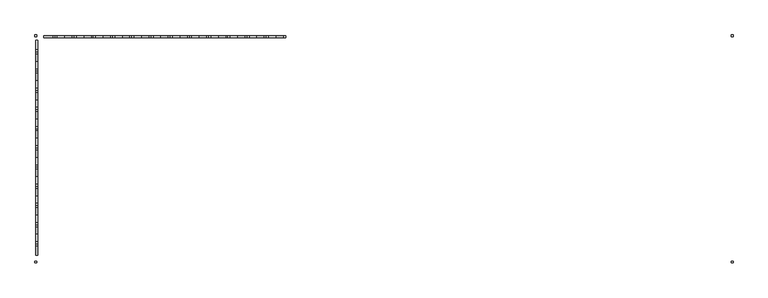
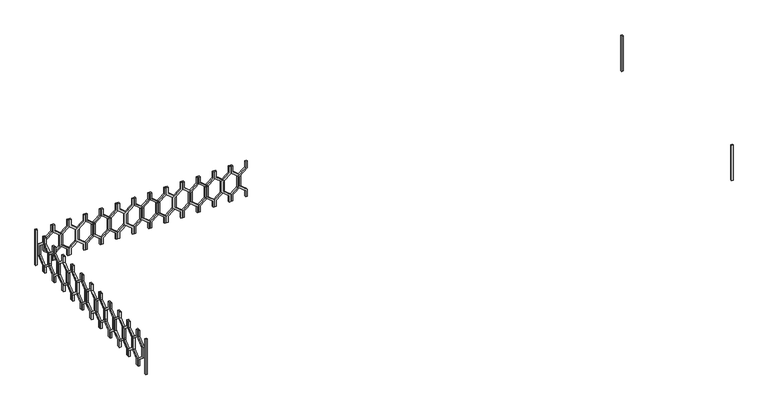
"""IFC4 building model written with IfcOpenShell, lengths in millimetres: railing geometry."""

import ifcopenshell
import ifcopenshell.guid

model = None  # the IFC model being written
_history = None  # IfcOwnerHistory: only IFC2X3 demands one
_inside = {}  # id of a spatial element -> (the spatial element, [elements in it])
_under = {}  # id of a project, library or spatial element -> (it, [spatial elements below it])
_declared = {}  # id of a project -> (the project, [libraries it declares])
_typed = {}  # id of a type object -> (the type object, [elements of that type])
_made_of = {}  # id of a material, layer set ... -> (it, [elements and type objects made of it])


def new_model(schema):
    """Start an empty IFC model of exactly this schema.

    Asked for "IFC4X3", IfcOpenShell would pick the latest addendum, in which some entities
    have other attributes; the version numbers below select the first issue.
    IFC2X3 requires an IfcOwnerHistory on every rooted entity: one is made here for all.
    """
    global model, _history
    if schema == "IFC4X3":
        model = ifcopenshell.file(schema_version=(4, 3, 0, 0))
    else:
        model = ifcopenshell.file(schema=schema)
    _inside.clear()
    _under.clear()
    _declared.clear()
    _typed.clear()
    _made_of.clear()
    _history = None
    if model.schema == "IFC2X3":
        org = make("IfcOrganization", Name="unknown")
        user = make(
            "IfcPersonAndOrganization",
            ThePerson=make("IfcPerson", FamilyName="unknown"),
            TheOrganization=org,
        )
        app = make(
            "IfcApplication",
            ApplicationDeveloper=org,
            Version="unknown",
            ApplicationFullName="unknown",
            ApplicationIdentifier="unknown",
        )
        _history = make(
            "IfcOwnerHistory",
            OwningUser=user,
            OwningApplication=app,
            ChangeAction="ADDED",
            CreationDate=0,
        )
    return model


def make(cls, **values):
    """One entity of the class cls with the attributes given. An attribute that is None is left unset."""
    return model.create_entity(
        cls, **{name: value for name, value in values.items() if value is not None}
    )


def rooted(cls, **values):
    """An entity with a GlobalId (a new one), such as an element, a storey or a relation."""
    return make(cls, GlobalId=ifcopenshell.guid.new(), OwnerHistory=_history, **values)


def si_unit(unit_type, name, prefix=None):
    """IfcSIUnit, for example si_unit("LENGTHUNIT", "METRE", prefix="MILLI")."""
    return make("IfcSIUnit", UnitType=unit_type, Prefix=prefix, Name=name)


def assignment(units):
    """IfcUnitAssignment: the units of a project."""
    return None if units is None else make("IfcUnitAssignment", Units=units)


def point(xyz):
    """IfcCartesianPoint."""
    return None if xyz is None else make("IfcCartesianPoint", Coordinates=xyz)


def direction(xyz):
    """IfcDirection."""
    return None if xyz is None else make("IfcDirection", DirectionRatios=xyz)


def frame(location, z_axis=None, x_axis=None):
    """IfcAxis2Placement3D, a coordinate frame: its origin and axes. An axis left out is left unset."""
    return make(
        "IfcAxis2Placement3D",
        Location=point(location),
        Axis=direction(z_axis),
        RefDirection=direction(x_axis),
    )


def origin():
    """The frame at (0, 0, 0) with its axes left unset."""
    return frame((0.0, 0.0, 0.0))


def place(relative_to, where):
    """IfcLocalPlacement: puts the frame where relative to a parent placement (None: the world)."""
    return make(
        "IfcLocalPlacement", PlacementRelTo=relative_to, RelativePlacement=where
    )


def context(
    kind, dimensions, precision=None, world=None, true_north=None, identifier=None
):
    """IfcGeometricRepresentationContext, for example the 3D "Model" context."""
    return make(
        "IfcGeometricRepresentationContext",
        ContextIdentifier=identifier,
        ContextType=kind,
        CoordinateSpaceDimension=dimensions,
        Precision=precision,
        WorldCoordinateSystem=world,
        TrueNorth=true_north,
    )


def project(units=None, contexts=None):
    """IfcProject with its units and contexts."""
    return rooted(
        "IfcProject",
        Name="project",
        RepresentationContexts=contexts,
        UnitsInContext=assignment(units),
    )


def spatial(cls, under=None, at=None, **own):
    """A site, building, storey or space (cls), placed at a placement, below another one or the project."""
    s = rooted(cls, ObjectPlacement=at, **own)
    if under is not None:
        _under.setdefault(under.id(), (under, []))[1].append(s)
    return s


def polyline(points):
    """IfcPolyline through the points."""
    return make("IfcPolyline", Points=[point(p) for p in points])


def outline(outer, holes=None, kind="AREA"):
    """IfcArbitraryClosedProfileDef: a profile drawn as a closed curve; with holes, ...WithVoids."""
    if holes is None:
        return make("IfcArbitraryClosedProfileDef", ProfileType=kind, OuterCurve=outer)
    return make(
        "IfcArbitraryProfileDefWithVoids",
        ProfileType=kind,
        OuterCurve=outer,
        InnerCurves=holes,
    )


def extrude(swept, where, along, depth):
    """IfcExtrudedAreaSolid: the profile swept, set in the frame where, extruded along a direction by depth."""
    return make(
        "IfcExtrudedAreaSolid",
        SweptArea=swept,
        Position=where,
        ExtrudedDirection=direction(along),
        Depth=depth,
    )


def shape(context_of_items, identifier, shape_type, items):
    """IfcShapeRepresentation: the items that make up one representation, for example the "Body"."""
    return make(
        "IfcShapeRepresentation",
        ContextOfItems=context_of_items,
        RepresentationIdentifier=identifier,
        RepresentationType=shape_type,
        Items=items,
    )


def source(mapping_origin, context_of_items, identifier, shape_type, items):
    """IfcRepresentationMap: a shape defined once, which mapped items show again and again."""
    return make(
        "IfcRepresentationMap",
        MappingOrigin=mapping_origin,
        MappedRepresentation=shape(context_of_items, identifier, shape_type, items),
    )


def transform(
    local_origin,
    x_axis=None,
    y_axis=None,
    z_axis=None,
    scale=None,
    scale2=None,
    scale3=None,
    uniform=True,
):
    """IfcCartesianTransformationOperator3D, or its non-uniform kind. x_axis, y_axis, z_axis: its Axis1, 2, 3."""
    if uniform:
        return make(
            "IfcCartesianTransformationOperator3D",
            Axis1=direction(x_axis),
            Axis2=direction(y_axis),
            LocalOrigin=point(local_origin),
            Scale=scale,
            Axis3=direction(z_axis),
        )
    return make(
        "IfcCartesianTransformationOperator3DnonUniform",
        Axis1=direction(x_axis),
        Axis2=direction(y_axis),
        LocalOrigin=point(local_origin),
        Scale=scale,
        Axis3=direction(z_axis),
        Scale2=scale2,
        Scale3=scale3,
    )


def mapped(mapping_source, mapping_target):
    """IfcMappedItem: shows the shape of a source again, moved by a transform."""
    return make(
        "IfcMappedItem", MappingSource=mapping_source, MappingTarget=mapping_target
    )


def made_of(thing, what):
    """Note that an element or type object is made of a material, layer set ...; save() writes the relation."""
    if what is not None:
        _made_of.setdefault(what.id(), (what, []))[1].append(thing)
    return thing


def element(
    cls,
    number,
    at=None,
    inside=None,
    cuts=None,
    type_object=None,
    material=None,
    context=None,
    identifier="Body",
    shape_type=None,
    held_by="IfcProductDefinitionShape",
    body=None,
    shapes=None,
    **own,
):
    """One element of the class cls, such as IfcWall. Its Tag is "e" and its number.

    at: its placement. inside: the storey or other place that contains it. cuts: it is an
    opening in that element (IfcRelVoidsElement). A single representation is given by context,
    identifier, shape_type and body (its items); several are given by shapes. held_by: the class
    of the entity that holds the representations. save() writes the other relations.
    """
    e = rooted(cls, Tag="e%d" % number, ObjectPlacement=at, **own)
    if body is not None:
        shapes = [shape(context, identifier, shape_type, body)]
    if shapes is not None:
        e.Representation = make(held_by, Representations=shapes)
    if inside is not None:
        _inside.setdefault(inside.id(), (inside, []))[1].append(e)
    if cuts is not None:
        rooted(
            "IfcRelVoidsElement", RelatingBuildingElement=cuts, RelatedOpeningElement=e
        )
    if type_object is not None:
        _typed.setdefault(type_object.id(), (type_object, []))[1].append(e)
    return made_of(e, material)


def aggregate(whole, parts):
    """IfcRelAggregates: a whole, such as a stair, and the parts it consists of."""
    return rooted("IfcRelAggregates", RelatingObject=whole, RelatedObjects=parts)


def save(model, path):
    """Write the relations noted so far, then the file.

    IfcRelAggregates (storeys below a building ...), IfcRelContainedInSpatialStructure (elements
    in a storey), IfcRelDefinesByType, IfcRelAssociatesMaterial and IfcRelDeclares: one each for
    every whole, place, type object, material and project.
    """
    for whole, parts in _under.values():
        aggregate(whole, parts)
    for where, things in _inside.values():
        rooted(
            "IfcRelContainedInSpatialStructure",
            RelatedElements=things,
            RelatingStructure=where,
        )
    for kind, things in _typed.values():
        rooted("IfcRelDefinesByType", RelatedObjects=things, RelatingType=kind)
    for what, things in _made_of.values():
        rooted("IfcRelAssociatesMaterial", RelatedObjects=things, RelatingMaterial=what)
    for by, libraries in _declared.values():
        rooted("IfcRelDeclares", RelatingContext=by, RelatedDefinitions=libraries)
    model.write(path)


def railing_958f3b37(model_context):
    return source(origin(), model_context, "Body", "SweptSolid", [
        extrude(outline(polyline([(18760.0, 44935.0112841), (18760.0, 44915.0112841), (18680.0, 44915.0112841), (18600.0, 44816.0163347), (18460.0, 44816.0163347), (18380.0, 44915.0112841), (18300.0, 44915.0112841), (18300.0, 44935.0112841), (18389.551845, 44935.0112841), (18469.551845, 44836.0163347), (18590.448155, 44836.0163347), (18670.448155, 44935.0112841), (18760.0, 44935.0112841)])), frame((0.0, 3248.1079487, 0.0), z_axis=(0.0, 1.0, 0.0), x_axis=(0.0, 0.0, 1.0)), (0.0, 0.0, 1.0), 20.0),
        extrude(outline(polyline([(18760.0, 44735.0112841), (18670.448155, 44735.0112841), (18590.448155, 44834.0062335), (18469.551845, 44834.0062335), (18389.551845, 44735.0112841), (18300.0, 44735.0112841), (18300.0, 44755.0112841), (18380.0, 44755.0112841), (18460.0, 44854.0062335), (18600.0, 44854.0062335), (18680.0, 44755.0112841), (18760.0, 44755.0112841), (18760.0, 44735.0112841)])), frame((0.0, 3248.1079487, 0.0), z_axis=(0.0, 1.0, 0.0), x_axis=(0.0, 0.0, 1.0)), (0.0, 0.0, 1.0), 20.0),
        extrude(outline(polyline([(18760.0, 44735.0112841), (18760.0, 44715.0112841), (18680.0, 44715.0112841), (18600.0, 44616.0163347), (18460.0, 44616.0163347), (18380.0, 44715.0112841), (18300.0, 44715.0112841), (18300.0, 44735.0112841), (18389.551845, 44735.0112841), (18469.551845, 44636.0163347), (18590.448155, 44636.0163347), (18670.448155, 44735.0112841), (18760.0, 44735.0112841)])), frame((0.0, 3248.1079487, 0.0), z_axis=(0.0, 1.0, 0.0), x_axis=(0.0, 0.0, 1.0)), (0.0, 0.0, 1.0), 20.0),
        extrude(outline(polyline([(18760.0, 44535.0112841), (18670.448155, 44535.0112841), (18590.448155, 44634.0062335), (18469.551845, 44634.0062335), (18389.551845, 44535.0112841), (18300.0, 44535.0112841), (18300.0, 44555.0112841), (18380.0, 44555.0112841), (18460.0, 44654.0062335), (18600.0, 44654.0062335), (18680.0, 44555.0112841), (18760.0, 44555.0112841), (18760.0, 44535.0112841)])), frame((0.0, 3248.1079487, 0.0), z_axis=(0.0, 1.0, 0.0), x_axis=(0.0, 0.0, 1.0)), (0.0, 0.0, 1.0), 20.0),
        extrude(outline(polyline([(18760.0, 44535.0112841), (18760.0, 44515.0112841), (18680.0, 44515.0112841), (18600.0, 44416.0163347), (18460.0, 44416.0163347), (18380.0, 44515.0112841), (18300.0, 44515.0112841), (18300.0, 44535.0112841), (18389.551845, 44535.0112841), (18469.551845, 44436.0163347), (18590.448155, 44436.0163347), (18670.448155, 44535.0112841), (18760.0, 44535.0112841)])), frame((0.0, 3248.1079487, 0.0), z_axis=(0.0, 1.0, 0.0), x_axis=(0.0, 0.0, 1.0)), (0.0, 0.0, 1.0), 20.0),
        extrude(outline(polyline([(18760.0, 44335.0112841), (18670.448155, 44335.0112841), (18590.448155, 44434.0062335), (18469.551845, 44434.0062335), (18389.551845, 44335.0112841), (18300.0, 44335.0112841), (18300.0, 44355.0112841), (18380.0, 44355.0112841), (18460.0, 44454.0062335), (18600.0, 44454.0062335), (18680.0, 44355.0112841), (18760.0, 44355.0112841), (18760.0, 44335.0112841)])), frame((0.0, 3248.1079487, 0.0), z_axis=(0.0, 1.0, 0.0), x_axis=(0.0, 0.0, 1.0)), (0.0, 0.0, 1.0), 20.0),
        extrude(outline(polyline([(18760.0, 44335.0112841), (18760.0, 44315.0112841), (18680.0, 44315.0112841), (18600.0, 44216.0163347), (18460.0, 44216.0163347), (18380.0, 44315.0112841), (18300.0, 44315.0112841), (18300.0, 44335.0112841), (18389.551845, 44335.0112841), (18469.551845, 44236.0163347), (18590.448155, 44236.0163347), (18670.448155, 44335.0112841), (18760.0, 44335.0112841)])), frame((0.0, 3248.1079487, 0.0), z_axis=(0.0, 1.0, 0.0), x_axis=(0.0, 0.0, 1.0)), (0.0, 0.0, 1.0), 20.0),
        extrude(outline(polyline([(18760.0, 44135.0112841), (18670.448155, 44135.0112841), (18590.448155, 44234.0062335), (18469.551845, 44234.0062335), (18389.551845, 44135.0112841), (18300.0, 44135.0112841), (18300.0, 44155.0112841), (18380.0, 44155.0112841), (18460.0, 44254.0062335), (18600.0, 44254.0062335), (18680.0, 44155.0112841), (18760.0, 44155.0112841), (18760.0, 44135.0112841)])), frame((0.0, 3248.1079487, 0.0), z_axis=(0.0, 1.0, 0.0), x_axis=(0.0, 0.0, 1.0)), (0.0, 0.0, 1.0), 20.0),
        extrude(outline(polyline([(18760.0, 44135.0112841), (18760.0, 44115.0112841), (18680.0, 44115.0112841), (18600.0, 44016.0163347), (18460.0, 44016.0163347), (18380.0, 44115.0112841), (18300.0, 44115.0112841), (18300.0, 44135.0112841), (18389.551845, 44135.0112841), (18469.551845, 44036.0163347), (18590.448155, 44036.0163347), (18670.448155, 44135.0112841), (18760.0, 44135.0112841)])), frame((0.0, 3248.1079487, 0.0), z_axis=(0.0, 1.0, 0.0), x_axis=(0.0, 0.0, 1.0)), (0.0, 0.0, 1.0), 20.0),
        extrude(outline(polyline([(18760.0, 43935.0112841), (18670.448155, 43935.0112841), (18590.448155, 44034.0062335), (18469.551845, 44034.0062335), (18389.551845, 43935.0112841), (18300.0, 43935.0112841), (18300.0, 43955.0112841), (18380.0, 43955.0112841), (18460.0, 44054.0062335), (18600.0, 44054.0062335), (18680.0, 43955.0112841), (18760.0, 43955.0112841), (18760.0, 43935.0112841)])), frame((0.0, 3248.1079487, 0.0), z_axis=(0.0, 1.0, 0.0), x_axis=(0.0, 0.0, 1.0)), (0.0, 0.0, 1.0), 20.0),
        extrude(outline(polyline([(18760.0, 43935.0112841), (18760.0, 43915.0112841), (18680.0, 43915.0112841), (18600.0, 43816.0163347), (18460.0, 43816.0163347), (18380.0, 43915.0112841), (18300.0, 43915.0112841), (18300.0, 43935.0112841), (18389.551845, 43935.0112841), (18469.551845, 43836.0163347), (18590.448155, 43836.0163347), (18670.448155, 43935.0112841), (18760.0, 43935.0112841)])), frame((0.0, 3248.1079487, 0.0), z_axis=(0.0, 1.0, 0.0), x_axis=(0.0, 0.0, 1.0)), (0.0, 0.0, 1.0), 20.0),
        extrude(outline(polyline([(18760.0, 43735.0112841), (18670.448155, 43735.0112841), (18590.448155, 43834.0062335), (18469.551845, 43834.0062335), (18389.551845, 43735.0112841), (18300.0, 43735.0112841), (18300.0, 43755.0112841), (18380.0, 43755.0112841), (18460.0, 43854.0062335), (18600.0, 43854.0062335), (18680.0, 43755.0112841), (18760.0, 43755.0112841), (18760.0, 43735.0112841)])), frame((0.0, 3248.1079487, 0.0), z_axis=(0.0, 1.0, 0.0), x_axis=(0.0, 0.0, 1.0)), (0.0, 0.0, 1.0), 20.0),
        extrude(outline(polyline([(18760.0, 43735.0112841), (18760.0, 43715.0112841), (18680.0, 43715.0112841), (18600.0, 43616.0163347), (18460.0, 43616.0163347), (18380.0, 43715.0112841), (18300.0, 43715.0112841), (18300.0, 43735.0112841), (18389.551845, 43735.0112841), (18469.551845, 43636.0163347), (18590.448155, 43636.0163347), (18670.448155, 43735.0112841), (18760.0, 43735.0112841)])), frame((0.0, 3248.1079487, 0.0), z_axis=(0.0, 1.0, 0.0), x_axis=(0.0, 0.0, 1.0)), (0.0, 0.0, 1.0), 20.0),
        extrude(outline(polyline([(18760.0, 43535.0112841), (18670.448155, 43535.0112841), (18590.448155, 43634.0062335), (18469.551845, 43634.0062335), (18389.551845, 43535.0112841), (18300.0, 43535.0112841), (18300.0, 43555.0112841), (18380.0, 43555.0112841), (18460.0, 43654.0062335), (18600.0, 43654.0062335), (18680.0, 43555.0112841), (18760.0, 43555.0112841), (18760.0, 43535.0112841)])), frame((0.0, 3248.1079487, 0.0), z_axis=(0.0, 1.0, 0.0), x_axis=(0.0, 0.0, 1.0)), (0.0, 0.0, 1.0), 20.0),
        extrude(outline(polyline([(18760.0, 43535.0112841), (18760.0, 43515.0112841), (18680.0, 43515.0112841), (18600.0, 43416.0163347), (18460.0, 43416.0163347), (18380.0, 43515.0112841), (18300.0, 43515.0112841), (18300.0, 43535.0112841), (18389.551845, 43535.0112841), (18469.551845, 43436.0163347), (18590.448155, 43436.0163347), (18670.448155, 43535.0112841), (18760.0, 43535.0112841)])), frame((0.0, 3248.1079487, 0.0), z_axis=(0.0, 1.0, 0.0), x_axis=(0.0, 0.0, 1.0)), (0.0, 0.0, 1.0), 20.0),
        extrude(outline(polyline([(18760.0, 43335.0112841), (18670.448155, 43335.0112841), (18590.448155, 43434.0062335), (18469.551845, 43434.0062335), (18389.551845, 43335.0112841), (18300.0, 43335.0112841), (18300.0, 43355.0112841), (18380.0, 43355.0112841), (18460.0, 43454.0062335), (18600.0, 43454.0062335), (18680.0, 43355.0112841), (18760.0, 43355.0112841), (18760.0, 43335.0112841)])), frame((0.0, 3248.1079487, 0.0), z_axis=(0.0, 1.0, 0.0), x_axis=(0.0, 0.0, 1.0)), (0.0, 0.0, 1.0), 20.0),
        extrude(outline(polyline([(18760.0, 43335.0112841), (18760.0, 43315.0112841), (18680.0, 43315.0112841), (18600.0, 43216.0163347), (18460.0, 43216.0163347), (18380.0, 43315.0112841), (18300.0, 43315.0112841), (18300.0, 43335.0112841), (18389.551845, 43335.0112841), (18469.551845, 43236.0163347), (18590.448155, 43236.0163347), (18670.448155, 43335.0112841), (18760.0, 43335.0112841)])), frame((0.0, 3248.1079487, 0.0), z_axis=(0.0, 1.0, 0.0), x_axis=(0.0, 0.0, 1.0)), (0.0, 0.0, 1.0), 20.0),
        extrude(outline(polyline([(18760.0, 43135.0112841), (18670.448155, 43135.0112841), (18590.448155, 43234.0062335), (18469.551845, 43234.0062335), (18389.551845, 43135.0112841), (18300.0, 43135.0112841), (18300.0, 43155.0112841), (18380.0, 43155.0112841), (18460.0, 43254.0062335), (18600.0, 43254.0062335), (18680.0, 43155.0112841), (18760.0, 43155.0112841), (18760.0, 43135.0112841)])), frame((0.0, 3248.1079487, 0.0), z_axis=(0.0, 1.0, 0.0), x_axis=(0.0, 0.0, 1.0)), (0.0, 0.0, 1.0), 20.0),
        extrude(outline(polyline([(18760.0, 43135.0112841), (18760.0, 43115.0112841), (18680.0, 43115.0112841), (18600.0, 43016.0163347), (18460.0, 43016.0163347), (18380.0, 43115.0112841), (18300.0, 43115.0112841), (18300.0, 43135.0112841), (18389.551845, 43135.0112841), (18469.551845, 43036.0163347), (18590.448155, 43036.0163347), (18670.448155, 43135.0112841), (18760.0, 43135.0112841)])), frame((0.0, 3248.1079487, 0.0), z_axis=(0.0, 1.0, 0.0), x_axis=(0.0, 0.0, 1.0)), (0.0, 0.0, 1.0), 20.0),
        extrude(outline(polyline([(18760.0, 42935.0112841), (18670.448155, 42935.0112841), (18590.448155, 43034.0062335), (18469.551845, 43034.0062335), (18389.551845, 42935.0112841), (18300.0, 42935.0112841), (18300.0, 42955.0112841), (18380.0, 42955.0112841), (18460.0, 43054.0062335), (18600.0, 43054.0062335), (18680.0, 42955.0112841), (18760.0, 42955.0112841), (18760.0, 42935.0112841)])), frame((0.0, 3248.1079487, 0.0), z_axis=(0.0, 1.0, 0.0), x_axis=(0.0, 0.0, 1.0)), (0.0, 0.0, 1.0), 20.0),
        extrude(outline(polyline([(18760.0, 42935.0112841), (18760.0, 42915.0112841), (18680.0, 42915.0112841), (18600.0, 42816.0163347), (18460.0, 42816.0163347), (18380.0, 42915.0112841), (18300.0, 42915.0112841), (18300.0, 42935.0112841), (18389.551845, 42935.0112841), (18469.551845, 42836.0163347), (18590.448155, 42836.0163347), (18670.448155, 42935.0112841), (18760.0, 42935.0112841)])), frame((0.0, 3248.1079487, 0.0), z_axis=(0.0, 1.0, 0.0), x_axis=(0.0, 0.0, 1.0)), (0.0, 0.0, 1.0), 20.0),
        extrude(outline(polyline([(18760.0, 42735.0112841), (18670.448155, 42735.0112841), (18590.448155, 42834.0062335), (18469.551845, 42834.0062335), (18389.551845, 42735.0112841), (18300.0, 42735.0112841), (18300.0, 42755.0112841), (18380.0, 42755.0112841), (18460.0, 42854.0062335), (18600.0, 42854.0062335), (18680.0, 42755.0112841), (18760.0, 42755.0112841), (18760.0, 42735.0112841)])), frame((0.0, 3248.1079487, 0.0), z_axis=(0.0, 1.0, 0.0), x_axis=(0.0, 0.0, 1.0)), (0.0, 0.0, 1.0), 20.0),
        extrude(outline(polyline([(18760.0, 42735.0112841), (18760.0, 42715.0112841), (18680.0, 42715.0112841), (18600.0, 42616.0163347), (18460.0, 42616.0163347), (18380.0, 42715.0112841), (18300.0, 42715.0112841), (18300.0, 42735.0112841), (18389.551845, 42735.0112841), (18469.551845, 42636.0163347), (18590.448155, 42636.0163347), (18670.448155, 42735.0112841), (18760.0, 42735.0112841)])), frame((0.0, 3248.1079487, 0.0), z_axis=(0.0, 1.0, 0.0), x_axis=(0.0, 0.0, 1.0)), (0.0, 0.0, 1.0), 20.0),
        extrude(outline(polyline([(18760.0, 42535.0112841), (18670.448155, 42535.0112841), (18590.448155, 42634.0062335), (18469.551845, 42634.0062335), (18389.551845, 42535.0112841), (18300.0, 42535.0112841), (18300.0, 42555.0112841), (18380.0, 42555.0112841), (18460.0, 42654.0062335), (18600.0, 42654.0062335), (18680.0, 42555.0112841), (18760.0, 42555.0112841), (18760.0, 42535.0112841)])), frame((0.0, 3248.1079487, 0.0), z_axis=(0.0, 1.0, 0.0), x_axis=(0.0, 0.0, 1.0)), (0.0, 0.0, 1.0), 20.0),
        extrude(outline(polyline([(18760.0, 42535.0112841), (18760.0, 42515.0112841), (18680.0, 42515.0112841), (18600.0, 42416.0163347), (18460.0, 42416.0163347), (18380.0, 42515.0112841), (18300.0, 42515.0112841), (18300.0, 42535.0112841), (18389.551845, 42535.0112841), (18469.551845, 42436.0163347), (18590.448155, 42436.0163347), (18670.448155, 42535.0112841), (18760.0, 42535.0112841)])), frame((0.0, 3248.1079487, 0.0), z_axis=(0.0, 1.0, 0.0), x_axis=(0.0, 0.0, 1.0)), (0.0, 0.0, 1.0), 20.0),
        extrude(outline(polyline([(3103.1079487, 18760.0), (3123.1079487, 18760.0), (3123.1079487, 18680.0), (3222.102898, 18600.0), (3222.102898, 18460.0), (3123.1079487, 18380.0), (3123.1079487, 18300.0), (3103.1079487, 18300.0), (3103.1079487, 18389.551845), (3202.102898, 18469.551845), (3202.102898, 18590.448155), (3103.1079487, 18670.448155), (3103.1079487, 18760.0)])), frame((42335.0112841, 0.0, 0.0), z_axis=(1.0, 0.0, 0.0), x_axis=(0.0, 1.0, 0.0)), (0.0, 0.0, 1.0), 20.0),
        extrude(outline(polyline([(3103.1079487, 18760.0), (3103.1079487, 18670.448155), (3004.1129993, 18590.448155), (3004.1129993, 18469.551845), (3103.1079487, 18389.551845), (3103.1079487, 18300.0), (3083.1079487, 18300.0), (3083.1079487, 18380.0), (2984.1129993, 18460.0), (2984.1129993, 18600.0), (3083.1079487, 18680.0), (3083.1079487, 18760.0), (3103.1079487, 18760.0)])), frame((42335.0112841, 0.0, 0.0), z_axis=(1.0, 0.0, 0.0), x_axis=(0.0, 1.0, 0.0)), (0.0, 0.0, 1.0), 20.0),
        extrude(outline(polyline([(2903.1079487, 18760.0), (2923.1079487, 18760.0), (2923.1079487, 18680.0), (3022.102898, 18600.0), (3022.102898, 18460.0), (2923.1079487, 18380.0), (2923.1079487, 18300.0), (2903.1079487, 18300.0), (2903.1079487, 18389.551845), (3002.102898, 18469.551845), (3002.102898, 18590.448155), (2903.1079487, 18670.448155), (2903.1079487, 18760.0)])), frame((42335.0112841, 0.0, 0.0), z_axis=(1.0, 0.0, 0.0), x_axis=(0.0, 1.0, 0.0)), (0.0, 0.0, 1.0), 20.0),
        extrude(outline(polyline([(2903.1079487, 18760.0), (2903.1079487, 18670.448155), (2804.1129993, 18590.448155), (2804.1129993, 18469.551845), (2903.1079487, 18389.551845), (2903.1079487, 18300.0), (2883.1079487, 18300.0), (2883.1079487, 18380.0), (2784.1129993, 18460.0), (2784.1129993, 18600.0), (2883.1079487, 18680.0), (2883.1079487, 18760.0), (2903.1079487, 18760.0)])), frame((42335.0112841, 0.0, 0.0), z_axis=(1.0, 0.0, 0.0), x_axis=(0.0, 1.0, 0.0)), (0.0, 0.0, 1.0), 20.0),
        extrude(outline(polyline([(2703.1079487, 18760.0), (2723.1079487, 18760.0), (2723.1079487, 18680.0), (2822.102898, 18600.0), (2822.102898, 18460.0), (2723.1079487, 18380.0), (2723.1079487, 18300.0), (2703.1079487, 18300.0), (2703.1079487, 18389.551845), (2802.102898, 18469.551845), (2802.102898, 18590.448155), (2703.1079487, 18670.448155), (2703.1079487, 18760.0)])), frame((42335.0112841, 0.0, 0.0), z_axis=(1.0, 0.0, 0.0), x_axis=(0.0, 1.0, 0.0)), (0.0, 0.0, 1.0), 20.0),
        extrude(outline(polyline([(2703.1079487, 18760.0), (2703.1079487, 18670.448155), (2604.1129993, 18590.448155), (2604.1129993, 18469.551845), (2703.1079487, 18389.551845), (2703.1079487, 18300.0), (2683.1079487, 18300.0), (2683.1079487, 18380.0), (2584.1129993, 18460.0), (2584.1129993, 18600.0), (2683.1079487, 18680.0), (2683.1079487, 18760.0), (2703.1079487, 18760.0)])), frame((42335.0112841, 0.0, 0.0), z_axis=(1.0, 0.0, 0.0), x_axis=(0.0, 1.0, 0.0)), (0.0, 0.0, 1.0), 20.0),
        extrude(outline(polyline([(2503.1079487, 18760.0), (2523.1079487, 18760.0), (2523.1079487, 18680.0), (2622.102898, 18600.0), (2622.102898, 18460.0), (2523.1079487, 18380.0), (2523.1079487, 18300.0), (2503.1079487, 18300.0), (2503.1079487, 18389.551845), (2602.102898, 18469.551845), (2602.102898, 18590.448155), (2503.1079487, 18670.448155), (2503.1079487, 18760.0)])), frame((42335.0112841, 0.0, 0.0), z_axis=(1.0, 0.0, 0.0), x_axis=(0.0, 1.0, 0.0)), (0.0, 0.0, 1.0), 20.0),
        extrude(outline(polyline([(2503.1079487, 18760.0), (2503.1079487, 18670.448155), (2404.1129993, 18590.448155), (2404.1129993, 18469.551845), (2503.1079487, 18389.551845), (2503.1079487, 18300.0), (2483.1079487, 18300.0), (2483.1079487, 18380.0), (2384.1129993, 18460.0), (2384.1129993, 18600.0), (2483.1079487, 18680.0), (2483.1079487, 18760.0), (2503.1079487, 18760.0)])), frame((42335.0112841, 0.0, 0.0), z_axis=(1.0, 0.0, 0.0), x_axis=(0.0, 1.0, 0.0)), (0.0, 0.0, 1.0), 20.0),
        extrude(outline(polyline([(2303.1079487, 18760.0), (2323.1079487, 18760.0), (2323.1079487, 18680.0), (2422.102898, 18600.0), (2422.102898, 18460.0), (2323.1079487, 18380.0), (2323.1079487, 18300.0), (2303.1079487, 18300.0), (2303.1079487, 18389.551845), (2402.102898, 18469.551845), (2402.102898, 18590.448155), (2303.1079487, 18670.448155), (2303.1079487, 18760.0)])), frame((42335.0112841, 0.0, 0.0), z_axis=(1.0, 0.0, 0.0), x_axis=(0.0, 1.0, 0.0)), (0.0, 0.0, 1.0), 20.0),
        extrude(outline(polyline([(2303.1079487, 18760.0), (2303.1079487, 18670.448155), (2204.1129993, 18590.448155), (2204.1129993, 18469.551845), (2303.1079487, 18389.551845), (2303.1079487, 18300.0), (2283.1079487, 18300.0), (2283.1079487, 18380.0), (2184.1129993, 18460.0), (2184.1129993, 18600.0), (2283.1079487, 18680.0), (2283.1079487, 18760.0), (2303.1079487, 18760.0)])), frame((42335.0112841, 0.0, 0.0), z_axis=(1.0, 0.0, 0.0), x_axis=(0.0, 1.0, 0.0)), (0.0, 0.0, 1.0), 20.0),
        extrude(outline(polyline([(2103.1079487, 18760.0), (2123.1079487, 18760.0), (2123.1079487, 18680.0), (2222.102898, 18600.0), (2222.102898, 18460.0), (2123.1079487, 18380.0), (2123.1079487, 18300.0), (2103.1079487, 18300.0), (2103.1079487, 18389.551845), (2202.102898, 18469.551845), (2202.102898, 18590.448155), (2103.1079487, 18670.448155), (2103.1079487, 18760.0)])), frame((42335.0112841, 0.0, 0.0), z_axis=(1.0, 0.0, 0.0), x_axis=(0.0, 1.0, 0.0)), (0.0, 0.0, 1.0), 20.0),
        extrude(outline(polyline([(2103.1079487, 18760.0), (2103.1079487, 18670.448155), (2004.1129993, 18590.448155), (2004.1129993, 18469.551845), (2103.1079487, 18389.551845), (2103.1079487, 18300.0), (2083.1079487, 18300.0), (2083.1079487, 18380.0), (1984.1129993, 18460.0), (1984.1129993, 18600.0), (2083.1079487, 18680.0), (2083.1079487, 18760.0), (2103.1079487, 18760.0)])), frame((42335.0112841, 0.0, 0.0), z_axis=(1.0, 0.0, 0.0), x_axis=(0.0, 1.0, 0.0)), (0.0, 0.0, 1.0), 20.0),
        extrude(outline(polyline([(1903.1079487, 18760.0), (1923.1079487, 18760.0), (1923.1079487, 18680.0), (2022.102898, 18600.0), (2022.102898, 18460.0), (1923.1079487, 18380.0), (1923.1079487, 18300.0), (1903.1079487, 18300.0), (1903.1079487, 18389.551845), (2002.102898, 18469.551845), (2002.102898, 18590.448155), (1903.1079487, 18670.448155), (1903.1079487, 18760.0)])), frame((42335.0112841, 0.0, 0.0), z_axis=(1.0, 0.0, 0.0), x_axis=(0.0, 1.0, 0.0)), (0.0, 0.0, 1.0), 20.0),
        extrude(outline(polyline([(1903.1079487, 18760.0), (1903.1079487, 18670.448155), (1804.1129993, 18590.448155), (1804.1129993, 18469.551845), (1903.1079487, 18389.551845), (1903.1079487, 18300.0), (1883.1079487, 18300.0), (1883.1079487, 18380.0), (1784.1129993, 18460.0), (1784.1129993, 18600.0), (1883.1079487, 18680.0), (1883.1079487, 18760.0), (1903.1079487, 18760.0)])), frame((42335.0112841, 0.0, 0.0), z_axis=(1.0, 0.0, 0.0), x_axis=(0.0, 1.0, 0.0)), (0.0, 0.0, 1.0), 20.0),
        extrude(outline(polyline([(1703.1079487, 18760.0), (1723.1079487, 18760.0), (1723.1079487, 18680.0), (1822.102898, 18600.0), (1822.102898, 18460.0), (1723.1079487, 18380.0), (1723.1079487, 18300.0), (1703.1079487, 18300.0), (1703.1079487, 18389.551845), (1802.102898, 18469.551845), (1802.102898, 18590.448155), (1703.1079487, 18670.448155), (1703.1079487, 18760.0)])), frame((42335.0112841, 0.0, 0.0), z_axis=(1.0, 0.0, 0.0), x_axis=(0.0, 1.0, 0.0)), (0.0, 0.0, 1.0), 20.0),
        extrude(outline(polyline([(1703.1079487, 18760.0), (1703.1079487, 18670.448155), (1604.1129993, 18590.448155), (1604.1129993, 18469.551845), (1703.1079487, 18389.551845), (1703.1079487, 18300.0), (1683.1079487, 18300.0), (1683.1079487, 18380.0), (1584.1129993, 18460.0), (1584.1129993, 18600.0), (1683.1079487, 18680.0), (1683.1079487, 18760.0), (1703.1079487, 18760.0)])), frame((42335.0112841, 0.0, 0.0), z_axis=(1.0, 0.0, 0.0), x_axis=(0.0, 1.0, 0.0)), (0.0, 0.0, 1.0), 20.0),
        extrude(outline(polyline([(1503.1079487, 18760.0), (1523.1079487, 18760.0), (1523.1079487, 18680.0), (1622.102898, 18600.0), (1622.102898, 18460.0), (1523.1079487, 18380.0), (1523.1079487, 18300.0), (1503.1079487, 18300.0), (1503.1079487, 18389.551845), (1602.102898, 18469.551845), (1602.102898, 18590.448155), (1503.1079487, 18670.448155), (1503.1079487, 18760.0)])), frame((42335.0112841, 0.0, 0.0), z_axis=(1.0, 0.0, 0.0), x_axis=(0.0, 1.0, 0.0)), (0.0, 0.0, 1.0), 20.0),
        extrude(outline(polyline([(1503.1079487, 18760.0), (1503.1079487, 18670.448155), (1404.1129993, 18590.448155), (1404.1129993, 18469.551845), (1503.1079487, 18389.551845), (1503.1079487, 18300.0), (1483.1079487, 18300.0), (1483.1079487, 18380.0), (1384.1129993, 18460.0), (1384.1129993, 18600.0), (1483.1079487, 18680.0), (1483.1079487, 18760.0), (1503.1079487, 18760.0)])), frame((42335.0112841, 0.0, 0.0), z_axis=(1.0, 0.0, 0.0), x_axis=(0.0, 1.0, 0.0)), (0.0, 0.0, 1.0), 20.0),
        extrude(outline(polyline([(1303.1079487, 18760.0), (1323.1079487, 18760.0), (1323.1079487, 18680.0), (1422.102898, 18600.0), (1422.102898, 18460.0), (1323.1079487, 18380.0), (1323.1079487, 18300.0), (1303.1079487, 18300.0), (1303.1079487, 18389.551845), (1402.102898, 18469.551845), (1402.102898, 18590.448155), (1303.1079487, 18670.448155), (1303.1079487, 18760.0)])), frame((42335.0112841, 0.0, 0.0), z_axis=(1.0, 0.0, 0.0), x_axis=(0.0, 1.0, 0.0)), (0.0, 0.0, 1.0), 20.0),
        extrude(outline(polyline([(1303.1079487, 18760.0), (1303.1079487, 18670.448155), (1204.1129993, 18590.448155), (1204.1129993, 18469.551845), (1303.1079487, 18389.551845), (1303.1079487, 18300.0), (1283.1079487, 18300.0), (1283.1079487, 18380.0), (1184.1129993, 18460.0), (1184.1129993, 18600.0), (1283.1079487, 18680.0), (1283.1079487, 18760.0), (1303.1079487, 18760.0)])), frame((42335.0112841, 0.0, 0.0), z_axis=(1.0, 0.0, 0.0), x_axis=(0.0, 1.0, 0.0)), (0.0, 0.0, 1.0), 20.0),
        extrude(outline(polyline([(1103.1079487, 18760.0), (1123.1079487, 18760.0), (1123.1079487, 18680.0), (1222.102898, 18600.0), (1222.102898, 18460.0), (1123.1079487, 18380.0), (1123.1079487, 18300.0), (1103.1079487, 18300.0), (1103.1079487, 18389.551845), (1202.102898, 18469.551845), (1202.102898, 18590.448155), (1103.1079487, 18670.448155), (1103.1079487, 18760.0)])), frame((42335.0112841, 0.0, 0.0), z_axis=(1.0, 0.0, 0.0), x_axis=(0.0, 1.0, 0.0)), (0.0, 0.0, 1.0), 20.0),
        extrude(outline(polyline([(1103.1079487, 18760.0), (1103.1079487, 18670.448155), (1004.1129993, 18590.448155), (1004.1129993, 18469.551845), (1103.1079487, 18389.551845), (1103.1079487, 18300.0), (1083.1079487, 18300.0), (1083.1079487, 18380.0), (984.1129993, 18460.0), (984.1129993, 18600.0), (1083.1079487, 18680.0), (1083.1079487, 18760.0), (1103.1079487, 18760.0)])), frame((42335.0112841, 0.0, 0.0), z_axis=(1.0, 0.0, 0.0), x_axis=(0.0, 1.0, 0.0)), (0.0, 0.0, 1.0), 20.0),
        extrude(outline(polyline([(49575.0112841, 3278.1079487), (49595.0112841, 3278.1079487), (49595.0112841, 3258.1079487), (49575.0112841, 3258.1079487), (49575.0112841, 3278.1079487)])), frame((0.0, 0.0, 18300.0), z_axis=(0.0, 0.0, 1.0), x_axis=(1.0, 0.0, 0.0)), (0.0, 0.0, 1.0), 460.0),
        extrude(outline(polyline([(42325.0112841, 3258.1079487), (42325.0112841, 3278.1079487), (42345.0112841, 3278.1079487), (42345.0112841, 3258.1079487), (42325.0112841, 3258.1079487)])), frame((0.0, 0.0, 18300.0), z_axis=(0.0, 0.0, 1.0), x_axis=(1.0, 0.0, 0.0)), (0.0, 0.0, 1.0), 460.0),
        extrude(outline(polyline([(49595.0112841, 923.1079487), (49595.0112841, 903.1079487), (49575.0112841, 903.1079487), (49575.0112841, 923.1079487), (49595.0112841, 923.1079487)])), frame((0.0, 0.0, 18300.0), z_axis=(0.0, 0.0, 1.0), x_axis=(1.0, 0.0, 0.0)), (0.0, 0.0, 1.0), 460.0),
        extrude(outline(polyline([(42325.0112841, 903.1079487), (42325.0112841, 923.1079487), (42345.0112841, 923.1079487), (42345.0112841, 903.1079487), (42325.0112841, 903.1079487)])), frame((0.0, 0.0, 18300.0), z_axis=(0.0, 0.0, 1.0), x_axis=(1.0, 0.0, 0.0)), (0.0, 0.0, 1.0), 460.0),
    ])


if __name__ == "__main__":
    model = new_model("IFC4")
    model_context = context("Model", 3, world=origin())
    ifc_project = project(units=[si_unit("LENGTHUNIT", "METRE", prefix="MILLI")], contexts=[model_context])
    site = spatial("IfcSite", under=ifc_project)
    building = spatial("IfcBuilding", under=site)
    placement = place(None, origin())
    railing_shape = railing_958f3b37(model_context)
    element("IfcRailing", 1, at=placement, inside=building, context=model_context, shape_type="MappedRepresentation", body=[
        mapped(railing_shape, transform((0.0, 0.0, 0.0), x_axis=(1.0, 0.0, 0.0), y_axis=(0.0, 1.0, 0.0), z_axis=(0.0, 0.0, 1.0))),
    ])
    save(model, "model.ifc")
